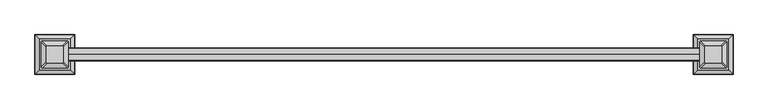
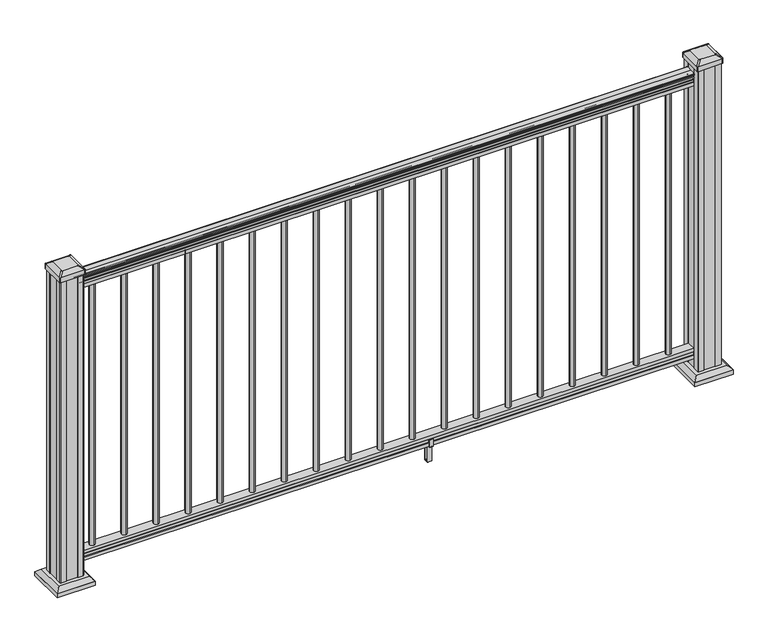
"""IFC4 building model written with IfcOpenShell, lengths in millimetres: railing geometry."""

from ifc_helpers import new_model, si_unit, point, frame, frame_2d, origin, origin_with_axes, place, context, project, spatial, polyline, circle_curve, trimmed, segment, composite_curve, outline, extrude, faceted_brep, source, transform, mapped, element, save
from ifc_brep_helpers import plane_surface, cylinder_surface, revolved_surface, extruded_surface, advanced_brep


def railing_42eee5fa(model_context):
    return source(origin(), model_context, "Body", "SolidModel", [
        advanced_brep(
        [(13693.1243019, -21587.0902081, 1090.8043297), (13693.1243019, -21589.6640368, 1090.8043297), (13693.1243019, -21589.6640368, 1080.147013), (13693.1243019, -21588.6480368, 1079.131013), (13693.1243019, -21588.6480368, 1066.8), (13693.1243019, -21620.3980368, 1066.8), (13693.1243019, -21620.3980368, 1079.2888283), (13693.1243019, -21619.3820368, 1080.3048283), (13693.1243019, -21619.3820368, 1090.8043297), (13693.1243019, -21621.9558656, 1090.8043297), (13693.1243019, -21621.9558656, 1092.692412), (13693.1243019, -21623.0860518, 1094.2546695), (13693.1243019, -21623.0860518, 1101.4726458), (13693.1243019, -21622.4367954, 1103.9060812), (13693.1243019, -21624.9367954, 1108.2362083), (13693.1243019, -21626.3461379, 1109.9157972), (13693.1243019, -21626.7480369, 1111.0205318), (13693.1243019, -21626.7480368, 1112.3608158), (13693.1243019, -21625.1945896, 1113.914263), (13693.1243019, -21604.5230368, 1113.914263), (13693.1243019, -21583.851484, 1113.914263), (13693.1243019, -21582.2980368, 1112.3608158), (13693.1243019, -21582.2980368, 1111.0205318), (13693.1243019, -21582.6999357, 1109.9157972), (13693.1243019, -21584.1092782, 1108.2362083), (13693.1243019, -21586.6092782, 1103.9060812), (13693.1243019, -21585.9600218, 1101.4726458), (13693.1243019, -21585.9600218, 1094.2546695), (13693.1243019, -21587.0902081, 1092.692412), (15826.7243019, -21587.0902081, 1090.8043297), (15826.7243019, -21587.0902081, 1092.692412), (15826.7243019, -21585.9600218, 1094.2546695), (15826.7243019, -21585.9600218, 1101.4726458), (15826.7243019, -21586.6092782, 1103.9060812), (15826.7243019, -21584.1092782, 1108.2362083), (15826.7243019, -21582.6999357, 1109.9157972), (15826.7243019, -21582.2980367, 1111.0205318), (15826.7243019, -21582.2980368, 1112.3608158), (15826.7243019, -21583.851484, 1113.914263), (15826.7243019, -21604.5230368, 1113.914263), (15826.7243019, -21625.1945896, 1113.914263), (15826.7243019, -21626.7480368, 1112.3608158), (15826.7243019, -21626.7480368, 1111.0205318), (15826.7243019, -21626.3461379, 1109.9157972), (15826.7243019, -21624.9367954, 1108.2362083), (15826.7243019, -21622.4367954, 1103.9060812), (15826.7243019, -21623.0860518, 1101.4726458), (15826.7243019, -21623.0860518, 1094.2546695), (15826.7243019, -21621.9558655, 1092.692412), (15826.7243019, -21621.9558655, 1090.8043297), (15826.7243019, -21619.3820368, 1090.8043297), (15826.7243019, -21619.3820368, 1080.3048283), (15826.7243019, -21620.3980368, 1079.2888283), (15826.7243019, -21620.3980368, 1066.8), (15826.7243019, -21588.6480368, 1066.8), (15826.7243019, -21588.6480368, 1079.131013), (15826.7243019, -21589.6640368, 1080.147013), (15826.7243019, -21589.6640368, 1090.8043297)],
        [
            (0, 1, circle_curve(frame((13693.1243019, -21588.3771224, 1090.8043297), z_axis=(-1.0, 0.0, 0.0), x_axis=(0.0, -1.0, 0.0)), 1.2869144)),
            (1, 2),
            (2, 3),
            (3, 4),
            (4, 5),
            (5, 6),
            (6, 7),
            (7, 8),
            (8, 9, circle_curve(frame((13693.1243019, -21620.6689512, 1090.8043297), z_axis=(-1.0, 0.0, 0.0), x_axis=(0.0, 1.0, 0.0)), 1.2869144)),
            (9, 10),
            (10, 11, circle_curve(frame((13693.1243019, -21615.6411123, 1098.4506383), z_axis=(-1.0, 0.0, 0.0), x_axis=(0.0, 1.0, 0.0)), 8.545951)),
            (11, 12, circle_curve(frame((13693.1243019, -21616.0781752, 1097.8636577), z_axis=(-1.0, 0.0, 0.0), x_axis=(0.0, 1.0, 0.0)), 7.882584)),
            (12, 13, circle_curve(frame((13693.1243019, -21626.5914994, 1103.7112527), z_axis=(1.0, 0.0, 0.0), x_axis=(0.0, 1.0, 0.0)), 4.1592695)),
            (13, 14, circle_curve(frame((13693.1243019, -21627.8788059, 1103.6508864), z_axis=(1.0, 0.0, 0.0), x_axis=(0.0, 1.0, 0.0)), 5.4479907)),
            (14, 15, circle_curve(frame((13693.1243019, -21626.6456475, 1108.233395), z_axis=(1.0, 0.0, 0.0), x_axis=(0.0, 1.0, 0.0)), 1.7088543)),
            (15, 16, circle_curve(frame((13693.1243019, -21625.0287474, 1111.0205318), z_axis=(-1.0, 0.0, 0.0), x_axis=(0.0, 1.0, 0.0)), 1.7192895)),
            (16, 17),
            (17, 18, circle_curve(frame((13693.1243019, -21625.1945896, 1112.3608158), z_axis=(-1.0, 0.0, 0.0), x_axis=(0.0, 1.0, 0.0)), 1.5534472)),
            (18, 19),
            (19, 20),
            (20, 21, circle_curve(frame((13693.1243019, -21583.851484, 1112.3608158), z_axis=(-1.0, 0.0, 0.0), x_axis=(0.0, -1.0, 0.0)), 1.5534472)),
            (21, 22),
            (22, 23, circle_curve(frame((13693.1243019, -21584.0173262, 1111.0205318), z_axis=(-1.0, 0.0, 0.0), x_axis=(0.0, -1.0, 0.0)), 1.7192895)),
            (23, 24, circle_curve(frame((13693.1243019, -21582.4004262, 1108.233395), z_axis=(1.0, 0.0, 0.0), x_axis=(0.0, -1.0, 0.0)), 1.7088543)),
            (24, 25, circle_curve(frame((13693.1243019, -21581.1672677, 1103.6508864), z_axis=(1.0, 0.0, 0.0), x_axis=(0.0, -1.0, 0.0)), 5.4479907)),
            (25, 26, circle_curve(frame((13693.1243019, -21582.4545743, 1103.7112527), z_axis=(1.0, 0.0, 0.0), x_axis=(0.0, -1.0, 0.0)), 4.1592695)),
            (26, 27, circle_curve(frame((13693.1243019, -21592.9678984, 1097.8636577), z_axis=(-1.0, 0.0, 0.0), x_axis=(0.0, -1.0, 0.0)), 7.882584)),
            (27, 28, circle_curve(frame((13693.1243019, -21593.4049614, 1098.4506383), z_axis=(-1.0, 0.0, 0.0), x_axis=(0.0, -1.0, 0.0)), 8.545951)),
            (28, 0),
            (29, 30),
            (30, 31, circle_curve(frame((15826.7243019, -21593.4049614, 1098.4506383), z_axis=(1.0, 0.0, 0.0), x_axis=(0.0, -1.0, 0.0)), 8.545951)),
            (31, 32, circle_curve(frame((15826.7243019, -21592.9678984, 1097.8636577), z_axis=(1.0, 0.0, 0.0), x_axis=(0.0, -1.0, 0.0)), 7.882584)),
            (32, 33, circle_curve(frame((15826.7243019, -21582.4545743, 1103.7112527), z_axis=(-1.0, 0.0, 0.0), x_axis=(0.0, -1.0, 0.0)), 4.1592695)),
            (33, 34, circle_curve(frame((15826.7243019, -21581.1672677, 1103.6508864), z_axis=(-1.0, 0.0, 0.0), x_axis=(0.0, -1.0, 0.0)), 5.4479907)),
            (34, 35, circle_curve(frame((15826.7243019, -21582.4004262, 1108.233395), z_axis=(-1.0, 0.0, 0.0), x_axis=(0.0, -1.0, 0.0)), 1.7088543)),
            (35, 36, circle_curve(frame((15826.7243019, -21584.0173262, 1111.0205318), z_axis=(1.0, 0.0, 0.0), x_axis=(0.0, -1.0, 0.0)), 1.7192895)),
            (36, 37),
            (37, 38, circle_curve(frame((15826.7243019, -21583.851484, 1112.3608158), z_axis=(1.0, 0.0, 0.0), x_axis=(0.0, -1.0, 0.0)), 1.5534472)),
            (38, 39),
            (39, 40),
            (40, 41, circle_curve(frame((15826.7243019, -21625.1945896, 1112.3608158), z_axis=(1.0, 0.0, 0.0), x_axis=(0.0, 1.0, 0.0)), 1.5534472)),
            (41, 42),
            (42, 43, circle_curve(frame((15826.7243019, -21625.0287474, 1111.0205318), z_axis=(1.0, 0.0, 0.0), x_axis=(0.0, 1.0, 0.0)), 1.7192895)),
            (43, 44, circle_curve(frame((15826.7243019, -21626.6456475, 1108.233395), z_axis=(-1.0, 0.0, 0.0), x_axis=(0.0, 1.0, 0.0)), 1.7088543)),
            (44, 45, circle_curve(frame((15826.7243019, -21627.8788059, 1103.6508864), z_axis=(-1.0, 0.0, 0.0), x_axis=(0.0, 1.0, 0.0)), 5.4479907)),
            (45, 46, circle_curve(frame((15826.7243019, -21626.5914994, 1103.7112527), z_axis=(-1.0, 0.0, 0.0), x_axis=(0.0, 1.0, 0.0)), 4.1592695)),
            (46, 47, circle_curve(frame((15826.7243019, -21616.0781752, 1097.8636577), z_axis=(1.0, 0.0, 0.0), x_axis=(0.0, 1.0, 0.0)), 7.882584)),
            (47, 48, circle_curve(frame((15826.7243019, -21615.6411123, 1098.4506383), z_axis=(1.0, 0.0, 0.0), x_axis=(0.0, 1.0, 0.0)), 8.545951)),
            (48, 49),
            (49, 50, circle_curve(frame((15826.7243019, -21620.6689512, 1090.8043297), z_axis=(1.0, 0.0, 0.0), x_axis=(0.0, 1.0, 0.0)), 1.2869144)),
            (50, 51),
            (51, 52),
            (52, 53),
            (53, 54),
            (54, 55),
            (55, 56),
            (56, 57),
            (57, 29, circle_curve(frame((15826.7243019, -21588.3771224, 1090.8043297), z_axis=(1.0, 0.0, 0.0), x_axis=(0.0, -1.0, 0.0)), 1.2869144)),
            (0, 29),
            (57, 1),
            (56, 2),
            (55, 3),
            (54, 4),
            (53, 5),
            (52, 6),
            (51, 7),
            (50, 8),
            (49, 9),
            (48, 10),
            (47, 11),
            (46, 12),
            (45, 13),
            (44, 14),
            (43, 15),
            (42, 16),
            (41, 17),
            (40, 18),
            (39, 19),
            (38, 20),
            (37, 21),
            (36, 22),
            (35, 23),
            (34, 24),
            (33, 25),
            (32, 26),
            (31, 27),
            (30, 28),
        ],
        [
            plane_surface(frame((13693.1243019, -21604.5230368, 1066.8), z_axis=(-1.0, 0.0, 0.0), x_axis=(0.0, 1.0, 0.0))),
            plane_surface(frame((15826.7243019, -21604.5230368, 1066.8), z_axis=(1.0, 0.0, 0.0), x_axis=(0.0, 1.0, 0.0))),
            cylinder_surface(frame((13693.1243019, -21588.3771224, 1090.8043297), z_axis=(-1.0, 0.0, 0.0), x_axis=(0.0, -1.0, 0.0)), 1.2869144),
            plane_surface(frame((13693.1243019, -21589.6640368, 1090.8043297), z_axis=(0.0, 1.0, 0.0), x_axis=(1.0, 0.0, 0.0))),
            plane_surface(frame((13693.1243019, -21589.6640368, 1080.147013), z_axis=(0.0, 0.7071067811865395, 0.7071067811865556), x_axis=(1.0, 0.0, 0.0))),
            plane_surface(frame((13693.1243019, -21588.6480368, 1079.131013), z_axis=(0.0, 1.0, 0.0), x_axis=(1.0, 0.0, 0.0))),
            plane_surface(frame((13693.1243019, -21588.6480368, 1066.8), z_axis=(0.0, 0.0, -1.0), x_axis=(1.0, 0.0, 0.0))),
            plane_surface(frame((13693.1243019, -21620.3980368, 1066.8), z_axis=(0.0, -1.0, 0.0), x_axis=(1.0, 0.0, 0.0))),
            plane_surface(frame((13693.1243019, -21620.3980368, 1079.2888283), z_axis=(0.0, -0.7071067811865432, 0.707106781186552), x_axis=(1.0, 0.0, 0.0))),
            plane_surface(frame((13693.1243019, -21619.3820368, 1080.3048283), z_axis=(0.0, -1.0, 0.0), x_axis=(1.0, 0.0, 0.0))),
            cylinder_surface(frame((13693.1243019, -21620.6689512, 1090.8043297), z_axis=(-1.0, 0.0, 0.0), x_axis=(0.0, 1.0, 0.0)), 1.2869144),
            plane_surface(frame((13693.1243019, -21621.9558656, 1090.8043297), z_axis=(0.0, -1.0, 0.0), x_axis=(1.0, 0.0, 0.0))),
            cylinder_surface(frame((13693.1243019, -21615.6411123, 1098.4506383), z_axis=(-1.0, 0.0, 0.0), x_axis=(0.0, 1.0, 0.0)), 8.545951),
            cylinder_surface(frame((13693.1243019, -21616.0781752, 1097.8636577), z_axis=(-1.0, 0.0, 0.0), x_axis=(0.0, 1.0, 0.0)), 7.882584),
            revolved_surface(polyline([(15826.7243019, -21622.4322299, 1103.7112527), (13693.1243019, -21622.4322299, 1103.7112527)]), (13693.1243019, -21626.5914994, 1103.7112527), (1.0, 0.0, 0.0)),
            revolved_surface(polyline([(15826.7243019, -21622.4308152, 1103.6508864), (13693.1243019, -21622.4308152, 1103.6508864)]), (13693.1243019, -21627.8788059, 1103.6508864), (1.0, 0.0, 0.0)),
            revolved_surface(polyline([(15826.7243019, -21624.936793200002, 1108.233395), (13693.1243019, -21624.936793200002, 1108.233395)]), (13693.1243019, -21626.6456475, 1108.233395), (1.0, 0.0, 0.0)),
            cylinder_surface(frame((13693.1243019, -21625.0287474, 1111.0205318), z_axis=(-1.0, 0.0, 0.0), x_axis=(0.0, 1.0, 0.0)), 1.7192895),
            plane_surface(frame((13693.1243019, -21626.7480368, 1111.0205318), z_axis=(0.0, -1.0, 0.0), x_axis=(1.0, 0.0, 0.0))),
            cylinder_surface(frame((13693.1243019, -21625.1945896, 1112.3608158), z_axis=(-1.0, 0.0, 0.0), x_axis=(0.0, 1.0, 0.0)), 1.5534472),
            plane_surface(frame((13693.1243019, -21625.1945896, 1113.914263), z_axis=(0.0, 0.0, 1.0), x_axis=(1.0, 0.0, 0.0))),
            plane_surface(frame((13693.1243019, -21604.5230368, 1113.914263), z_axis=(0.0, 0.0, 1.0), x_axis=(1.0, 0.0, 0.0))),
            cylinder_surface(frame((13693.1243019, -21583.851484, 1112.3608158), z_axis=(-1.0, 0.0, 0.0), x_axis=(0.0, -1.0, 0.0)), 1.5534472),
            plane_surface(frame((13693.1243019, -21582.2980368, 1112.3608158), z_axis=(0.0, 1.0, 0.0), x_axis=(1.0, 0.0, 0.0))),
            cylinder_surface(frame((13693.1243019, -21584.0173262, 1111.0205318), z_axis=(-1.0, 0.0, 0.0), x_axis=(0.0, -1.0, 0.0)), 1.7192895),
            revolved_surface(polyline([(15826.7243019, -21584.1092805, 1108.233395), (13693.1243019, -21584.1092805, 1108.233395)]), (13693.1243019, -21582.4004262, 1108.233395), (1.0, 0.0, 0.0)),
            revolved_surface(polyline([(15826.7243019, -21586.615258399997, 1103.6508864), (13693.1243019, -21586.615258399997, 1103.6508864)]), (13693.1243019, -21581.1672677, 1103.6508864), (1.0, 0.0, 0.0)),
            revolved_surface(polyline([(15826.7243019, -21586.6138438, 1103.7112527), (13693.1243019, -21586.6138438, 1103.7112527)]), (13693.1243019, -21582.4545743, 1103.7112527), (1.0, 0.0, 0.0)),
            cylinder_surface(frame((13693.1243019, -21592.9678984, 1097.8636577), z_axis=(-1.0, 0.0, 0.0), x_axis=(0.0, -1.0, 0.0)), 7.882584),
            cylinder_surface(frame((13693.1243019, -21593.4049614, 1098.4506383), z_axis=(-1.0, 0.0, 0.0), x_axis=(0.0, -1.0, 0.0)), 8.545951),
            plane_surface(frame((13693.1243019, -21587.0902081, 1092.692412), z_axis=(0.0, 1.0, 0.0), x_axis=(1.0, 0.0, 0.0))),
        ],
        [
            (0, [[1, 2, 3, 4, 5, 6, 7, 8, 9, 10, 11, 12, 13, 14, 15, 16, 17, 18, 19, 20, 21, 22, 23, 24, 25, 26, 27, 28, 29]]),
            (1, [[30, 31, 32, 33, 34, 35, 36, 37, 38, 39, 40, 41, 42, 43, 44, 45, 46, 47, 48, 49, 50, 51, 52, 53, 54, 55, 56, 57, 58]]),
            (2, [[-1, 59, -58, 60]]),
            (3, [[-2, -60, -57, 61]]),
            (4, [[-3, -61, -56, 62]]),
            (5, [[-4, -62, -55, 63]]),
            (6, [[-5, -63, -54, 64]]),
            (7, [[-6, -64, -53, 65]]),
            (8, [[-7, -65, -52, 66]]),
            (9, [[-8, -66, -51, 67]]),
            (10, [[-9, -67, -50, 68]]),
            (11, [[-10, -68, -49, 69]]),
            (12, [[-11, -69, -48, 70]]),
            (13, [[-12, -70, -47, 71]]),
            (14, [[-13, -71, -46, 72]]),
            (15, [[-14, -72, -45, 73]]),
            (16, [[-15, -73, -44, 74]]),
            (17, [[-16, -74, -43, 75]]),
            (18, [[-17, -75, -42, 76]]),
            (19, [[-18, -76, -41, 77]]),
            (20, [[-19, -77, -40, 78]]),
            (21, [[-20, -78, -39, 79]]),
            (22, [[-21, -79, -38, 80]]),
            (23, [[-22, -80, -37, 81]]),
            (24, [[-23, -81, -36, 82]]),
            (25, [[-24, -82, -35, 83]]),
            (26, [[-25, -83, -34, 84]]),
            (27, [[-26, -84, -33, 85]]),
            (28, [[-27, -85, -32, 86]]),
            (29, [[-28, -86, -31, 87]]),
            (30, [[-29, -87, -30, -59]]),
        ],
    ),
        faceted_brep([(13693.1243019, -21588.6105499, 76.0541976), (13693.1243019, -21588.6105499, 63.5), (13693.1243019, -21620.3605499, 63.5), (13693.1243019, -21620.3605499, 76.0375508), (13693.1243019, -21619.3445499, 77.3858283), (13693.1243019, -21619.3445499, 87.6975248), (13693.1243019, -21620.3605499, 89.0458024), (13693.1243019, -21620.3605499, 101.5958781), (13693.1243019, -21588.6105499, 101.5958781), (13693.1243019, -21588.6105499, 89.0624492), (13693.1243019, -21589.6265499, 87.7141717), (13693.1243019, -21589.6265499, 77.3546183), (15826.7243019, -21588.6105499, 76.0541976), (15826.7243019, -21589.6265499, 77.3546183), (15826.7243019, -21589.6265499, 87.7141717), (15826.7243019, -21588.6105499, 89.0624492), (15826.7243019, -21588.6105499, 101.5958781), (15826.7243019, -21620.3605499, 101.5958781), (15826.7243019, -21620.3605499, 89.0458024), (15826.7243019, -21619.3445499, 87.6975248), (15826.7243019, -21619.3445499, 77.3858283), (15826.7243019, -21620.3605499, 76.0375508), (15826.7243019, -21620.3605499, 63.5), (15826.7243019, -21588.6105499, 63.5)], [[[0, 1, 2, 3, 4, 5, 6, 7, 8, 9, 10, 11]], [[12, 13, 14, 15, 16, 17, 18, 19, 20, 21, 22, 23]], [[1, 0, 12, 23]], [[2, 1, 23, 22]], [[3, 2, 22, 21]], [[4, 3, 21, 20]], [[5, 4, 20, 19]], [[6, 5, 19, 18]], [[7, 6, 18, 17]], [[8, 7, 17, 16]], [[9, 8, 16, 15]], [[10, 9, 15, 14]], [[11, 10, 14, 13]], [[0, 11, 13, 12]]]),
        extrude(outline(composite_curve([segment(trimmed(circle_curve(frame_2d((15747.9843019, -21604.5230368)), 9.525), [point((15747.9843019, -21594.9980368))], [point((15757.5093019, -21604.5230368))], False, "CARTESIAN"), True, "CONTINUOUS"), segment(trimmed(circle_curve(frame_2d((15747.9843019, -21604.5230368)), 9.525), [point((15757.5093019, -21604.5230368))], [point((15747.9843019, -21614.0480368))], False, "CARTESIAN"), True, "CONTINUOUS"), segment(trimmed(circle_curve(frame_2d((15747.9843019, -21604.5230368)), 9.525), [point((15747.9843019, -21614.0480368))], [point((15738.4593019, -21604.5230368))], False, "CARTESIAN"), True, "CONTINUOUS"), segment(trimmed(circle_curve(frame_2d((15747.9843019, -21604.5230368)), 9.525), [point((15738.4593019, -21604.5230368))], [point((15747.9843019, -21594.9980368))], False, "CARTESIAN"), True, "CONTINUOUS")], self_intersect=False)), frame((0.0, 0.0, 101.5958781), z_axis=(0.0, 0.0, 1.0), x_axis=(1.0, 0.0, 0.0)), (0.0, 0.0, 1.0), 965.2041219),
        extrude(outline(composite_curve([segment(trimmed(circle_curve(frame_2d((15636.7323019, -21604.5230368)), 9.525), [point((15636.7323019, -21594.9980368))], [point((15646.2573019, -21604.5230368))], False, "CARTESIAN"), True, "CONTINUOUS"), segment(trimmed(circle_curve(frame_2d((15636.7323019, -21604.5230368)), 9.525), [point((15646.2573019, -21604.5230368))], [point((15636.7323019, -21614.0480368))], False, "CARTESIAN"), True, "CONTINUOUS"), segment(trimmed(circle_curve(frame_2d((15636.7323019, -21604.5230368)), 9.525), [point((15636.7323019, -21614.0480368))], [point((15627.2073019, -21604.5230368))], False, "CARTESIAN"), True, "CONTINUOUS"), segment(trimmed(circle_curve(frame_2d((15636.7323019, -21604.5230368)), 9.525), [point((15627.2073019, -21604.5230368))], [point((15636.7323019, -21594.9980368))], False, "CARTESIAN"), True, "CONTINUOUS")], self_intersect=False)), frame((0.0, 0.0, 101.5958781), z_axis=(0.0, 0.0, 1.0), x_axis=(1.0, 0.0, 0.0)), (0.0, 0.0, 1.0), 965.2041219),
        extrude(outline(composite_curve([segment(trimmed(circle_curve(frame_2d((15525.4803019, -21604.5230368)), 9.525), [point((15525.4803019, -21594.9980368))], [point((15535.0053019, -21604.5230368))], False, "CARTESIAN"), True, "CONTINUOUS"), segment(trimmed(circle_curve(frame_2d((15525.4803019, -21604.5230368)), 9.525), [point((15535.0053019, -21604.5230368))], [point((15525.4803019, -21614.0480368))], False, "CARTESIAN"), True, "CONTINUOUS"), segment(trimmed(circle_curve(frame_2d((15525.4803019, -21604.5230368)), 9.525), [point((15525.4803019, -21614.0480368))], [point((15515.9553019, -21604.5230368))], False, "CARTESIAN"), True, "CONTINUOUS"), segment(trimmed(circle_curve(frame_2d((15525.4803019, -21604.5230368)), 9.525), [point((15515.9553019, -21604.5230368))], [point((15525.4803019, -21594.9980368))], False, "CARTESIAN"), True, "CONTINUOUS")], self_intersect=False)), frame((0.0, 0.0, 101.5958781), z_axis=(0.0, 0.0, 1.0), x_axis=(1.0, 0.0, 0.0)), (0.0, 0.0, 1.0), 965.2041219),
        extrude(outline(composite_curve([segment(trimmed(circle_curve(frame_2d((15414.2283019, -21604.5230368)), 9.525), [point((15414.2283019, -21594.9980368))], [point((15423.7533019, -21604.5230368))], False, "CARTESIAN"), True, "CONTINUOUS"), segment(trimmed(circle_curve(frame_2d((15414.2283019, -21604.5230368)), 9.525), [point((15423.7533019, -21604.5230368))], [point((15414.2283019, -21614.0480368))], False, "CARTESIAN"), True, "CONTINUOUS"), segment(trimmed(circle_curve(frame_2d((15414.2283019, -21604.5230368)), 9.525), [point((15414.2283019, -21614.0480368))], [point((15404.7033019, -21604.5230368))], False, "CARTESIAN"), True, "CONTINUOUS"), segment(trimmed(circle_curve(frame_2d((15414.2283019, -21604.5230368)), 9.525), [point((15404.7033019, -21604.5230368))], [point((15414.2283019, -21594.9980368))], False, "CARTESIAN"), True, "CONTINUOUS")], self_intersect=False)), frame((0.0, 0.0, 101.5958781), z_axis=(0.0, 0.0, 1.0), x_axis=(1.0, 0.0, 0.0)), (0.0, 0.0, 1.0), 965.2041219),
        extrude(outline(composite_curve([segment(trimmed(circle_curve(frame_2d((15302.9763019, -21604.5230368)), 9.525), [point((15302.9763019, -21594.9980368))], [point((15312.5013019, -21604.5230368))], False, "CARTESIAN"), True, "CONTINUOUS"), segment(trimmed(circle_curve(frame_2d((15302.9763019, -21604.5230368)), 9.525), [point((15312.5013019, -21604.5230368))], [point((15302.9763019, -21614.0480368))], False, "CARTESIAN"), True, "CONTINUOUS"), segment(trimmed(circle_curve(frame_2d((15302.9763019, -21604.5230368)), 9.525), [point((15302.9763019, -21614.0480368))], [point((15293.4513019, -21604.5230368))], False, "CARTESIAN"), True, "CONTINUOUS"), segment(trimmed(circle_curve(frame_2d((15302.9763019, -21604.5230368)), 9.525), [point((15293.4513019, -21604.5230368))], [point((15302.9763019, -21594.9980368))], False, "CARTESIAN"), True, "CONTINUOUS")], self_intersect=False)), frame((0.0, 0.0, 101.5958781), z_axis=(0.0, 0.0, 1.0), x_axis=(1.0, 0.0, 0.0)), (0.0, 0.0, 1.0), 965.2041219),
        extrude(outline(composite_curve([segment(trimmed(circle_curve(frame_2d((15191.7243019, -21604.5230368)), 9.525), [point((15191.7243019, -21594.9980368))], [point((15201.2493019, -21604.5230368))], False, "CARTESIAN"), True, "CONTINUOUS"), segment(trimmed(circle_curve(frame_2d((15191.7243019, -21604.5230368)), 9.525), [point((15201.2493019, -21604.5230368))], [point((15191.7243019, -21614.0480368))], False, "CARTESIAN"), True, "CONTINUOUS"), segment(trimmed(circle_curve(frame_2d((15191.7243019, -21604.5230368)), 9.525), [point((15191.7243019, -21614.0480368))], [point((15182.1993019, -21604.5230368))], False, "CARTESIAN"), True, "CONTINUOUS"), segment(trimmed(circle_curve(frame_2d((15191.7243019, -21604.5230368)), 9.525), [point((15182.1993019, -21604.5230368))], [point((15191.7243019, -21594.9980368))], False, "CARTESIAN"), True, "CONTINUOUS")], self_intersect=False)), frame((0.0, 0.0, 101.5958781), z_axis=(0.0, 0.0, 1.0), x_axis=(1.0, 0.0, 0.0)), (0.0, 0.0, 1.0), 965.2041219),
        extrude(outline(composite_curve([segment(trimmed(circle_curve(frame_2d((15080.4723019, -21604.5230368)), 9.525), [point((15080.4723019, -21594.9980368))], [point((15089.9973019, -21604.5230368))], False, "CARTESIAN"), True, "CONTINUOUS"), segment(trimmed(circle_curve(frame_2d((15080.4723019, -21604.5230368)), 9.525), [point((15089.9973019, -21604.5230368))], [point((15080.4723019, -21614.0480368))], False, "CARTESIAN"), True, "CONTINUOUS"), segment(trimmed(circle_curve(frame_2d((15080.4723019, -21604.5230368)), 9.525), [point((15080.4723019, -21614.0480368))], [point((15070.9473019, -21604.5230368))], False, "CARTESIAN"), True, "CONTINUOUS"), segment(trimmed(circle_curve(frame_2d((15080.4723019, -21604.5230368)), 9.525), [point((15070.9473019, -21604.5230368))], [point((15080.4723019, -21594.9980368))], False, "CARTESIAN"), True, "CONTINUOUS")], self_intersect=False)), frame((0.0, 0.0, 101.5958781), z_axis=(0.0, 0.0, 1.0), x_axis=(1.0, 0.0, 0.0)), (0.0, 0.0, 1.0), 965.2041219),
        extrude(outline(composite_curve([segment(trimmed(circle_curve(frame_2d((14969.2203019, -21604.5230368)), 9.525), [point((14969.2203019, -21594.9980368))], [point((14978.7453019, -21604.5230368))], False, "CARTESIAN"), True, "CONTINUOUS"), segment(trimmed(circle_curve(frame_2d((14969.2203019, -21604.5230368)), 9.525), [point((14978.7453019, -21604.5230368))], [point((14969.2203019, -21614.0480368))], False, "CARTESIAN"), True, "CONTINUOUS"), segment(trimmed(circle_curve(frame_2d((14969.2203019, -21604.5230368)), 9.525), [point((14969.2203019, -21614.0480368))], [point((14959.6953019, -21604.5230368))], False, "CARTESIAN"), True, "CONTINUOUS"), segment(trimmed(circle_curve(frame_2d((14969.2203019, -21604.5230368)), 9.525), [point((14959.6953019, -21604.5230368))], [point((14969.2203019, -21594.9980368))], False, "CARTESIAN"), True, "CONTINUOUS")], self_intersect=False)), frame((0.0, 0.0, 101.5958781), z_axis=(0.0, 0.0, 1.0), x_axis=(1.0, 0.0, 0.0)), (0.0, 0.0, 1.0), 965.2041219),
        extrude(outline(polyline([(-21622.6840356, 88.7203979), (-21620.652036, 88.7203979), (-21619.6360363, 87.7043953), (-21619.6360363, 77.2686081), (-21620.652036, 76.2526073), (-21620.652036, 64.262001), (-21619.8900369, 63.5000019), (-21589.1560358, 63.5000019), (-21588.3940366, 64.262001), (-21588.3940366, 76.2526073), (-21589.4100364, 77.2686081), (-21589.4100364, 87.7043953), (-21588.3940366, 88.7203979), (-21586.362037, 88.7203979), (-21585.600036, 87.9583969), (-21585.600036, 61.4680023), (-21586.362037, 60.7060013), (-21596.3950361, 60.7060013), (-21597.1570362, 59.9440012), (-21597.1570362, 0.762001), (-21597.9190372, 0.0), (-21611.1270364, 0.0), (-21611.8890365, 0.7620001), (-21611.8890365, 59.9440012), (-21612.6510366, 60.7060013), (-21622.6840356, 60.7060013), (-21623.4460367, 61.4680023), (-21623.4460367, 87.9583969), (-21622.6840356, 88.7203979)]), holes=[polyline([(-21601.0940364, 60.7060013), (-21607.9520362, 60.7060013), (-21608.7140363, 59.9440012), (-21608.7140363, 3.9370003), (-21607.9520391, 3.1750031), (-21601.0940364, 3.1750031), (-21600.3320363, 3.9370031), (-21600.3320363, 59.9440012), (-21601.0940364, 60.7060013)])]), frame((14906.2283019, 0.0, 0.0), z_axis=(1.0, 0.0, 0.0), x_axis=(0.0, 1.0, 0.0)), (0.0, 0.0, 1.0), 14.732),
        extrude(outline(composite_curve([segment(trimmed(circle_curve(frame_2d((14857.9683019, -21604.5230368)), 9.525), [point((14857.9683019, -21594.9980368))], [point((14867.4933019, -21604.5230368))], False, "CARTESIAN"), True, "CONTINUOUS"), segment(trimmed(circle_curve(frame_2d((14857.9683019, -21604.5230368)), 9.525), [point((14867.4933019, -21604.5230368))], [point((14857.9683019, -21614.0480368))], False, "CARTESIAN"), True, "CONTINUOUS"), segment(trimmed(circle_curve(frame_2d((14857.9683019, -21604.5230368)), 9.525), [point((14857.9683019, -21614.0480368))], [point((14848.4433019, -21604.5230368))], False, "CARTESIAN"), True, "CONTINUOUS"), segment(trimmed(circle_curve(frame_2d((14857.9683019, -21604.5230368)), 9.525), [point((14848.4433019, -21604.5230368))], [point((14857.9683019, -21594.9980368))], False, "CARTESIAN"), True, "CONTINUOUS")], self_intersect=False)), frame((0.0, 0.0, 101.5958781), z_axis=(0.0, 0.0, 1.0), x_axis=(1.0, 0.0, 0.0)), (0.0, 0.0, 1.0), 965.2041219),
        extrude(outline(composite_curve([segment(trimmed(circle_curve(frame_2d((14746.7163019, -21604.5230368)), 9.525), [point((14746.7163019, -21594.9980368))], [point((14756.2413019, -21604.5230368))], False, "CARTESIAN"), True, "CONTINUOUS"), segment(trimmed(circle_curve(frame_2d((14746.7163019, -21604.5230368)), 9.525), [point((14756.2413019, -21604.5230368))], [point((14746.7163019, -21614.0480368))], False, "CARTESIAN"), True, "CONTINUOUS"), segment(trimmed(circle_curve(frame_2d((14746.7163019, -21604.5230368)), 9.525), [point((14746.7163019, -21614.0480368))], [point((14737.1913019, -21604.5230368))], False, "CARTESIAN"), True, "CONTINUOUS"), segment(trimmed(circle_curve(frame_2d((14746.7163019, -21604.5230368)), 9.525), [point((14737.1913019, -21604.5230368))], [point((14746.7163019, -21594.9980368))], False, "CARTESIAN"), True, "CONTINUOUS")], self_intersect=False)), frame((0.0, 0.0, 101.5958781), z_axis=(0.0, 0.0, 1.0), x_axis=(1.0, 0.0, 0.0)), (0.0, 0.0, 1.0), 965.2041219),
        extrude(outline(composite_curve([segment(trimmed(circle_curve(frame_2d((14635.4643019, -21604.5230368)), 9.525), [point((14635.4643019, -21594.9980368))], [point((14644.9893019, -21604.5230368))], False, "CARTESIAN"), True, "CONTINUOUS"), segment(trimmed(circle_curve(frame_2d((14635.4643019, -21604.5230368)), 9.525), [point((14644.9893019, -21604.5230368))], [point((14635.4643019, -21614.0480368))], False, "CARTESIAN"), True, "CONTINUOUS"), segment(trimmed(circle_curve(frame_2d((14635.4643019, -21604.5230368)), 9.525), [point((14635.4643019, -21614.0480368))], [point((14625.9393019, -21604.5230368))], False, "CARTESIAN"), True, "CONTINUOUS"), segment(trimmed(circle_curve(frame_2d((14635.4643019, -21604.5230368)), 9.525), [point((14625.9393019, -21604.5230368))], [point((14635.4643019, -21594.9980368))], False, "CARTESIAN"), True, "CONTINUOUS")], self_intersect=False)), frame((0.0, 0.0, 101.5958781), z_axis=(0.0, 0.0, 1.0), x_axis=(1.0, 0.0, 0.0)), (0.0, 0.0, 1.0), 965.2041219),
        extrude(outline(composite_curve([segment(trimmed(circle_curve(frame_2d((14524.2123019, -21604.5230368)), 9.525), [point((14524.2123019, -21594.9980368))], [point((14533.7373019, -21604.5230368))], False, "CARTESIAN"), True, "CONTINUOUS"), segment(trimmed(circle_curve(frame_2d((14524.2123019, -21604.5230368)), 9.525), [point((14533.7373019, -21604.5230368))], [point((14524.2123019, -21614.0480368))], False, "CARTESIAN"), True, "CONTINUOUS"), segment(trimmed(circle_curve(frame_2d((14524.2123019, -21604.5230368)), 9.525), [point((14524.2123019, -21614.0480368))], [point((14514.6873019, -21604.5230368))], False, "CARTESIAN"), True, "CONTINUOUS"), segment(trimmed(circle_curve(frame_2d((14524.2123019, -21604.5230368)), 9.525), [point((14514.6873019, -21604.5230368))], [point((14524.2123019, -21594.9980368))], False, "CARTESIAN"), True, "CONTINUOUS")], self_intersect=False)), frame((0.0, 0.0, 101.5958781), z_axis=(0.0, 0.0, 1.0), x_axis=(1.0, 0.0, 0.0)), (0.0, 0.0, 1.0), 965.2041219),
        extrude(outline(composite_curve([segment(trimmed(circle_curve(frame_2d((14412.9603019, -21604.5230368)), 9.525), [point((14412.9603019, -21594.9980368))], [point((14422.4853019, -21604.5230368))], False, "CARTESIAN"), True, "CONTINUOUS"), segment(trimmed(circle_curve(frame_2d((14412.9603019, -21604.5230368)), 9.525), [point((14422.4853019, -21604.5230368))], [point((14412.9603019, -21614.0480368))], False, "CARTESIAN"), True, "CONTINUOUS"), segment(trimmed(circle_curve(frame_2d((14412.9603019, -21604.5230368)), 9.525), [point((14412.9603019, -21614.0480368))], [point((14403.4353019, -21604.5230368))], False, "CARTESIAN"), True, "CONTINUOUS"), segment(trimmed(circle_curve(frame_2d((14412.9603019, -21604.5230368)), 9.525), [point((14403.4353019, -21604.5230368))], [point((14412.9603019, -21594.9980368))], False, "CARTESIAN"), True, "CONTINUOUS")], self_intersect=False)), frame((0.0, 0.0, 101.5958781), z_axis=(0.0, 0.0, 1.0), x_axis=(1.0, 0.0, 0.0)), (0.0, 0.0, 1.0), 965.2041219),
        extrude(outline(composite_curve([segment(trimmed(circle_curve(frame_2d((14301.7083019, -21604.5230368)), 9.525), [point((14301.7083019, -21594.9980368))], [point((14311.2333019, -21604.5230368))], False, "CARTESIAN"), True, "CONTINUOUS"), segment(trimmed(circle_curve(frame_2d((14301.7083019, -21604.5230368)), 9.525), [point((14311.2333019, -21604.5230368))], [point((14301.7083019, -21614.0480368))], False, "CARTESIAN"), True, "CONTINUOUS"), segment(trimmed(circle_curve(frame_2d((14301.7083019, -21604.5230368)), 9.525), [point((14301.7083019, -21614.0480368))], [point((14292.1833019, -21604.5230368))], False, "CARTESIAN"), True, "CONTINUOUS"), segment(trimmed(circle_curve(frame_2d((14301.7083019, -21604.5230368)), 9.525), [point((14292.1833019, -21604.5230368))], [point((14301.7083019, -21594.9980368))], False, "CARTESIAN"), True, "CONTINUOUS")], self_intersect=False)), frame((0.0, 0.0, 101.5958781), z_axis=(0.0, 0.0, 1.0), x_axis=(1.0, 0.0, 0.0)), (0.0, 0.0, 1.0), 965.2041219),
        extrude(outline(composite_curve([segment(trimmed(circle_curve(frame_2d((14190.4563019, -21604.5230368)), 9.525), [point((14190.4563019, -21594.9980368))], [point((14199.9813019, -21604.5230368))], False, "CARTESIAN"), True, "CONTINUOUS"), segment(trimmed(circle_curve(frame_2d((14190.4563019, -21604.5230368)), 9.525), [point((14199.9813019, -21604.5230368))], [point((14190.4563019, -21614.0480368))], False, "CARTESIAN"), True, "CONTINUOUS"), segment(trimmed(circle_curve(frame_2d((14190.4563019, -21604.5230368)), 9.525), [point((14190.4563019, -21614.0480368))], [point((14180.9313019, -21604.5230368))], False, "CARTESIAN"), True, "CONTINUOUS"), segment(trimmed(circle_curve(frame_2d((14190.4563019, -21604.5230368)), 9.525), [point((14180.9313019, -21604.5230368))], [point((14190.4563019, -21594.9980368))], False, "CARTESIAN"), True, "CONTINUOUS")], self_intersect=False)), frame((0.0, 0.0, 101.5958781), z_axis=(0.0, 0.0, 1.0), x_axis=(1.0, 0.0, 0.0)), (0.0, 0.0, 1.0), 965.2041219),
        extrude(outline(composite_curve([segment(trimmed(circle_curve(frame_2d((14079.2043019, -21604.5230368)), 9.525), [point((14079.2043019, -21594.9980368))], [point((14088.7293019, -21604.5230368))], False, "CARTESIAN"), True, "CONTINUOUS"), segment(trimmed(circle_curve(frame_2d((14079.2043019, -21604.5230368)), 9.525), [point((14088.7293019, -21604.5230368))], [point((14079.2043019, -21614.0480368))], False, "CARTESIAN"), True, "CONTINUOUS"), segment(trimmed(circle_curve(frame_2d((14079.2043019, -21604.5230368)), 9.525), [point((14079.2043019, -21614.0480368))], [point((14069.6793019, -21604.5230368))], False, "CARTESIAN"), True, "CONTINUOUS"), segment(trimmed(circle_curve(frame_2d((14079.2043019, -21604.5230368)), 9.525), [point((14069.6793019, -21604.5230368))], [point((14079.2043019, -21594.9980368))], False, "CARTESIAN"), True, "CONTINUOUS")], self_intersect=False)), frame((0.0, 0.0, 101.5958781), z_axis=(0.0, 0.0, 1.0), x_axis=(1.0, 0.0, 0.0)), (0.0, 0.0, 1.0), 965.2041219),
        extrude(outline(composite_curve([segment(trimmed(circle_curve(frame_2d((13967.9523019, -21604.5230368)), 9.525), [point((13967.9523019, -21594.9980368))], [point((13977.4773019, -21604.5230368))], False, "CARTESIAN"), True, "CONTINUOUS"), segment(trimmed(circle_curve(frame_2d((13967.9523019, -21604.5230368)), 9.525), [point((13977.4773019, -21604.5230368))], [point((13967.9523019, -21614.0480368))], False, "CARTESIAN"), True, "CONTINUOUS"), segment(trimmed(circle_curve(frame_2d((13967.9523019, -21604.5230368)), 9.525), [point((13967.9523019, -21614.0480368))], [point((13958.4273019, -21604.5230368))], False, "CARTESIAN"), True, "CONTINUOUS"), segment(trimmed(circle_curve(frame_2d((13967.9523019, -21604.5230368)), 9.525), [point((13958.4273019, -21604.5230368))], [point((13967.9523019, -21594.9980368))], False, "CARTESIAN"), True, "CONTINUOUS")], self_intersect=False)), frame((0.0, 0.0, 101.5958781), z_axis=(0.0, 0.0, 1.0), x_axis=(1.0, 0.0, 0.0)), (0.0, 0.0, 1.0), 965.2041219),
        extrude(outline(composite_curve([segment(trimmed(circle_curve(frame_2d((13856.7003019, -21604.5230368)), 9.525), [point((13856.7003019, -21594.9980368))], [point((13866.2253019, -21604.5230368))], False, "CARTESIAN"), True, "CONTINUOUS"), segment(trimmed(circle_curve(frame_2d((13856.7003019, -21604.5230368)), 9.525), [point((13866.2253019, -21604.5230368))], [point((13856.7003019, -21614.0480368))], False, "CARTESIAN"), True, "CONTINUOUS"), segment(trimmed(circle_curve(frame_2d((13856.7003019, -21604.5230368)), 9.525), [point((13856.7003019, -21614.0480368))], [point((13847.1753019, -21604.5230368))], False, "CARTESIAN"), True, "CONTINUOUS"), segment(trimmed(circle_curve(frame_2d((13856.7003019, -21604.5230368)), 9.525), [point((13847.1753019, -21604.5230368))], [point((13856.7003019, -21594.9980368))], False, "CARTESIAN"), True, "CONTINUOUS")], self_intersect=False)), frame((0.0, 0.0, 101.5958781), z_axis=(0.0, 0.0, 1.0), x_axis=(1.0, 0.0, 0.0)), (0.0, 0.0, 1.0), 965.2041219),
        extrude(outline(composite_curve([segment(trimmed(circle_curve(frame_2d((13745.4483019, -21604.5230368)), 9.525), [point((13745.4483019, -21594.9980368))], [point((13754.9733019, -21604.5230368))], False, "CARTESIAN"), True, "CONTINUOUS"), segment(trimmed(circle_curve(frame_2d((13745.4483019, -21604.5230368)), 9.525), [point((13754.9733019, -21604.5230368))], [point((13745.4483019, -21614.0480368))], False, "CARTESIAN"), True, "CONTINUOUS"), segment(trimmed(circle_curve(frame_2d((13745.4483019, -21604.5230368)), 9.525), [point((13745.4483019, -21614.0480368))], [point((13735.9233019, -21604.5230368))], False, "CARTESIAN"), True, "CONTINUOUS"), segment(trimmed(circle_curve(frame_2d((13745.4483019, -21604.5230368)), 9.525), [point((13735.9233019, -21604.5230368))], [point((13745.4483019, -21594.9980368))], False, "CARTESIAN"), True, "CONTINUOUS")], self_intersect=False)), frame((0.0, 0.0, 101.5958781), z_axis=(0.0, 0.0, 1.0), x_axis=(1.0, 0.0, 0.0)), (0.0, 0.0, 1.0), 965.2041219),
        faceted_brep([(15815.5403644, -21551.9370993, 28.575), (15815.5403644, -21657.1089743, 28.575), (15920.7122394, -21657.1089743, 28.575), (15920.7122394, -21551.9370993, 28.575), (15801.5009113, -21537.8976462, 15.24), (15934.7516926, -21537.8976462, 15.24), (15934.7516926, -21671.1484274, 15.24), (15801.5009113, -21671.1484274, 15.24)], [[[0, 1, 2, 3]], [[4, 5, 6, 7]], [[4, 7, 1, 0]], [[7, 6, 2, 1]], [[6, 5, 3, 2]], [[5, 4, 0, 3]]]),
        extrude(outline(polyline([(15801.5009113, -21537.8976462), (15934.7516926, -21537.8976462), (15934.7516926, -21671.1484274), (15801.5009113, -21671.1484274), (15801.5009113, -21537.8976462)])), origin_with_axes(), (0.0, 0.0, 1.0), 15.24),
        advanced_brep(
        [(15839.1544269, -21630.3199118, 1165.225), (15842.3294269, -21633.4949118, 1165.225), (15893.9231769, -21633.4949118, 1165.225), (15897.0981769, -21630.3199118, 1165.225), (15897.0981769, -21578.7261618, 1165.225), (15893.9231769, -21575.5511618, 1165.225), (15842.3294269, -21575.5511618, 1165.225), (15839.1544269, -21578.7261618, 1165.225), (15822.8825519, -21646.5917868, 1153.922), (15822.8825519, -21562.4542868, 1153.922), (15826.0575519, -21559.2792868, 1153.922), (15910.1950519, -21559.2792868, 1153.922), (15913.3700519, -21562.4542868, 1153.922), (15913.3700519, -21646.5917868, 1153.922), (15910.1950519, -21649.7667868, 1153.922), (15826.0575519, -21649.7667868, 1153.922)],
        [
            (0, 1, circle_curve(frame((15842.3294269, -21630.3199118, 1165.225), z_axis=(0.0, 0.0, 1.0), x_axis=(1.0, 0.0, 0.0)), 3.175)),
            (1, 2),
            (2, 3, circle_curve(frame((15893.9231769, -21630.3199118, 1165.225), z_axis=(0.0, 0.0, 1.0), x_axis=(1.0, 0.0, 0.0)), 3.175)),
            (3, 4),
            (4, 5, circle_curve(frame((15893.9231769, -21578.7261618, 1165.225), z_axis=(0.0, 0.0, 1.0), x_axis=(1.0, 0.0, 0.0)), 3.175)),
            (5, 6),
            (6, 7, circle_curve(frame((15842.3294269, -21578.7261618, 1165.225), z_axis=(0.0, 0.0, 1.0), x_axis=(1.0, 0.0, 0.0)), 3.175)),
            (7, 0),
            (8, 9),
            (9, 10, circle_curve(frame((15826.0575519, -21562.4542868, 1153.922), z_axis=(0.0, 0.0, -1.0), x_axis=(1.0, 0.0, 0.0)), 3.175)),
            (10, 11),
            (11, 12, circle_curve(frame((15910.1950519, -21562.4542868, 1153.922), z_axis=(0.0, 0.0, -1.0), x_axis=(1.0, 0.0, 0.0)), 3.175)),
            (12, 13),
            (13, 14, circle_curve(frame((15910.1950519, -21646.5917868, 1153.922), z_axis=(0.0, 0.0, -1.0), x_axis=(1.0, 0.0, 0.0)), 3.175)),
            (14, 15),
            (15, 8, circle_curve(frame((15826.0575519, -21646.5917868, 1153.922), z_axis=(0.0, 0.0, -1.0), x_axis=(1.0, 0.0, 0.0)), 3.175)),
            (15, 1),
            (0, 8),
            (14, 2),
            (13, 3),
            (12, 4),
            (11, 5),
            (10, 6),
            (9, 7),
        ],
        [
            plane_surface(frame((15868.1263019, -21604.5230368, 1165.225), z_axis=(0.0, 0.0, 1.0), x_axis=(0.0, -1.0, 0.0))),
            plane_surface(frame((15868.1263019, -21604.5230368, 1153.922), z_axis=(0.0, 0.0, -1.0), x_axis=(0.0, -1.0, 0.0))),
            extruded_surface(trimmed(circle_curve(frame((15826.0575519, -21646.5917868, 1153.922), z_axis=(0.0, 0.0, 1.0), x_axis=(1.0, 0.0, 0.0)), 3.175), [point((15822.8825519, -21646.5917868, 1153.922))], [point((15826.0575519, -21649.7667868, 1153.922))], True, "CARTESIAN"), (16.271875000000364, 16.271874999998545, 11.302999999999884), 25.63797263886542),
            plane_surface(frame((15868.1263019, -21649.7667868, 1153.922), z_axis=(0.0, -0.5705009161540777, 0.8212969649690409), x_axis=(1.0, 0.0, 0.0))),
            extruded_surface(trimmed(circle_curve(frame((15910.1950519, -21646.5917868, 1153.922), z_axis=(0.0, 0.0, 1.0), x_axis=(1.0, 0.0, 0.0)), 3.175), [point((15910.1950519, -21649.7667868, 1153.922))], [point((15913.3700519, -21646.5917868, 1153.922))], True, "CARTESIAN"), (-16.271875000000364, 16.271874999998545, 11.302999999999884), 25.63797263886542),
            plane_surface(frame((15913.3700519, -21604.5230368, 1153.922), z_axis=(0.5705009161540291, 0.0, 0.8212969649690747), x_axis=(0.0, 1.0, 0.0))),
            extruded_surface(trimmed(circle_curve(frame((15910.1950519, -21562.4542868, 1153.922), z_axis=(0.0, 0.0, 1.0), x_axis=(1.0, 0.0, 0.0)), 3.175), [point((15913.3700519, -21562.4542868, 1153.922))], [point((15910.1950519, -21559.2792868, 1153.922))], True, "CARTESIAN"), (-16.271875000000364, -16.271875000002183, 11.302999999999884), 25.637972638867726),
            plane_surface(frame((15868.1263019, -21559.2792868, 1153.922), z_axis=(0.0, 0.5705009161540143, 0.821296964969085), x_axis=(-1.0, 0.0, 0.0))),
            extruded_surface(trimmed(circle_curve(frame((15826.0575519, -21562.4542868, 1153.922), z_axis=(0.0, 0.0, 1.0), x_axis=(1.0, 0.0, 0.0)), 3.175), [point((15826.0575519, -21559.2792868, 1153.922))], [point((15822.8825519, -21562.4542868, 1153.922))], True, "CARTESIAN"), (16.271875000000364, -16.271875000002183, 11.302999999999884), 25.637972638867726),
            plane_surface(frame((15822.8825519, -21604.5230368, 1153.922), z_axis=(-0.570500916154034, 0.0, 0.8212969649690713), x_axis=(0.0, -1.0, 0.0))),
        ],
        [
            (0, [[1, 2, 3, 4, 5, 6, 7, 8]]),
            (1, [[9, 10, 11, 12, 13, 14, 15, 16]]),
            (2, [[-16, 17, -1, 18]]),
            (3, [[-15, 19, -2, -17]]),
            (4, [[-14, 20, -3, -19]]),
            (5, [[-13, 21, -4, -20]]),
            (6, [[-12, 22, -5, -21]]),
            (7, [[-11, 23, -6, -22]]),
            (8, [[-10, 24, -7, -23]]),
            (9, [[-9, -18, -8, -24]]),
        ],
    ),
        extrude(outline(composite_curve([segment(polyline([(15822.8825519, -21646.5917868), (15822.8825519, -21562.4542868)]), True, "CONTINUOUS"), segment(trimmed(circle_curve(frame_2d((15826.0575519, -21562.4542868)), 3.175), [point((15822.8825519, -21562.4542868))], [point((15826.0575519, -21559.2792868))], False, "CARTESIAN"), True, "CONTINUOUS"), segment(polyline([(15826.0575519, -21559.2792868), (15910.1950519, -21559.2792868)]), True, "CONTINUOUS"), segment(trimmed(circle_curve(frame_2d((15910.1950519, -21562.4542868)), 3.175), [point((15910.1950519, -21559.2792868))], [point((15913.3700519, -21562.4542868))], False, "CARTESIAN"), True, "CONTINUOUS"), segment(polyline([(15913.3700519, -21562.4542868), (15913.3700519, -21646.5917868)]), True, "CONTINUOUS"), segment(trimmed(circle_curve(frame_2d((15910.1950519, -21646.5917868)), 3.175), [point((15913.3700519, -21646.5917868))], [point((15910.1950519, -21649.7667868))], False, "CARTESIAN"), True, "CONTINUOUS"), segment(polyline([(15910.1950519, -21649.7667868), (15826.0575519, -21649.7667868)]), True, "CONTINUOUS"), segment(trimmed(circle_curve(frame_2d((15826.0575519, -21646.5917868)), 3.175), [point((15826.0575519, -21649.7667868))], [point((15822.8825519, -21646.5917868))], False, "CARTESIAN"), True, "CONTINUOUS")], self_intersect=False)), frame((0.0, 0.0, 1136.65), z_axis=(0.0, 0.0, 1.0), x_axis=(1.0, 0.0, 0.0)), (0.0, 0.0, 1.0), 17.272),
        extrude(outline(polyline([(15826.8513019, -21644.2105368), (15826.8513019, -21624.5890368), (15828.4388019, -21623.8270368), (15828.4388019, -21585.2190368), (15826.8513019, -21584.4570368), (15826.8513019, -21564.8355368), (15828.4388019, -21563.2480368), (15848.0603019, -21563.2480368), (15848.8223019, -21564.8355368), (15887.4303019, -21564.8355368), (15888.1923019, -21563.2480368), (15907.8138019, -21563.2480368), (15909.4013019, -21564.8355368), (15909.4013019, -21584.4570368), (15907.8138019, -21585.2190368), (15907.8138019, -21623.8270368), (15909.4013019, -21624.5890368), (15909.4013019, -21644.2105368), (15907.8138019, -21645.7980368), (15888.1923019, -21645.7980368), (15887.4303019, -21644.2105368), (15848.8223019, -21644.2105368), (15848.0603019, -21645.7980368), (15828.4388019, -21645.7980368), (15826.8513019, -21644.2105368)])), origin_with_axes(), (0.0, 0.0, 1.0), 1136.65),
        faceted_brep([(13599.1363644, -21551.9370993, 28.575), (13599.1363644, -21657.1089743, 28.575), (13704.3082394, -21657.1089743, 28.575), (13704.3082394, -21551.9370993, 28.575), (13585.0969113, -21537.8976462, 15.24), (13718.3476926, -21537.8976462, 15.24), (13718.3476926, -21671.1484274, 15.24), (13585.0969113, -21671.1484274, 15.24)], [[[0, 1, 2, 3]], [[4, 5, 6, 7]], [[4, 7, 1, 0]], [[7, 6, 2, 1]], [[6, 5, 3, 2]], [[5, 4, 0, 3]]]),
        extrude(outline(polyline([(13585.0969113, -21537.8976462), (13718.3476926, -21537.8976462), (13718.3476926, -21671.1484274), (13585.0969113, -21671.1484274), (13585.0969113, -21537.8976462)])), origin_with_axes(), (0.0, 0.0, 1.0), 15.24),
        advanced_brep(
        [(13622.7504269, -21630.3199118, 1165.225), (13625.9254269, -21633.4949118, 1165.225), (13677.5191769, -21633.4949118, 1165.225), (13680.6941769, -21630.3199118, 1165.225), (13680.6941769, -21578.7261618, 1165.225), (13677.5191769, -21575.5511618, 1165.225), (13625.9254269, -21575.5511618, 1165.225), (13622.7504269, -21578.7261618, 1165.225), (13606.4785519, -21646.5917868, 1153.922), (13606.4785519, -21562.4542868, 1153.922), (13609.6535519, -21559.2792868, 1153.922), (13693.7910519, -21559.2792868, 1153.922), (13696.9660519, -21562.4542868, 1153.922), (13696.9660519, -21646.5917868, 1153.922), (13693.7910519, -21649.7667868, 1153.922), (13609.6535519, -21649.7667868, 1153.922)],
        [
            (0, 1, circle_curve(frame((13625.9254269, -21630.3199118, 1165.225), z_axis=(0.0, 0.0, 1.0), x_axis=(1.0, 0.0, 0.0)), 3.175)),
            (1, 2),
            (2, 3, circle_curve(frame((13677.5191769, -21630.3199118, 1165.225), z_axis=(0.0, 0.0, 1.0), x_axis=(1.0, 0.0, 0.0)), 3.175)),
            (3, 4),
            (4, 5, circle_curve(frame((13677.5191769, -21578.7261618, 1165.225), z_axis=(0.0, 0.0, 1.0), x_axis=(1.0, 0.0, 0.0)), 3.175)),
            (5, 6),
            (6, 7, circle_curve(frame((13625.9254269, -21578.7261618, 1165.225), z_axis=(0.0, 0.0, 1.0), x_axis=(1.0, 0.0, 0.0)), 3.175)),
            (7, 0),
            (8, 9),
            (9, 10, circle_curve(frame((13609.6535519, -21562.4542868, 1153.922), z_axis=(0.0, 0.0, -1.0), x_axis=(1.0, 0.0, 0.0)), 3.175)),
            (10, 11),
            (11, 12, circle_curve(frame((13693.7910519, -21562.4542868, 1153.922), z_axis=(0.0, 0.0, -1.0), x_axis=(1.0, 0.0, 0.0)), 3.175)),
            (12, 13),
            (13, 14, circle_curve(frame((13693.7910519, -21646.5917868, 1153.922), z_axis=(0.0, 0.0, -1.0), x_axis=(1.0, 0.0, 0.0)), 3.175)),
            (14, 15),
            (15, 8, circle_curve(frame((13609.6535519, -21646.5917868, 1153.922), z_axis=(0.0, 0.0, -1.0), x_axis=(1.0, 0.0, 0.0)), 3.175)),
            (15, 1),
            (0, 8),
            (14, 2),
            (13, 3),
            (12, 4),
            (11, 5),
            (10, 6),
            (9, 7),
        ],
        [
            plane_surface(frame((13651.7223019, -21604.5230368, 1165.225), z_axis=(0.0, 0.0, 1.0), x_axis=(0.0, -1.0, 0.0))),
            plane_surface(frame((13651.7223019, -21604.5230368, 1153.922), z_axis=(0.0, 0.0, -1.0), x_axis=(0.0, -1.0, 0.0))),
            extruded_surface(trimmed(circle_curve(frame((13609.6535519, -21646.5917868, 1153.922), z_axis=(0.0, 0.0, 1.0), x_axis=(1.0, 0.0, 0.0)), 3.175), [point((13606.4785519, -21646.5917868, 1153.922))], [point((13609.6535519, -21649.7667868, 1153.922))], True, "CARTESIAN"), (16.271874999998545, 16.271874999998545, 11.302999999999884), 25.637972638864262),
            plane_surface(frame((13651.7223019, -21649.7667868, 1153.922), z_axis=(0.0, -0.5705009161540777, 0.8212969649690409), x_axis=(1.0, 0.0, 0.0))),
            extruded_surface(trimmed(circle_curve(frame((13693.7910519, -21646.5917868, 1153.922), z_axis=(0.0, 0.0, 1.0), x_axis=(1.0, 0.0, 0.0)), 3.175), [point((13693.7910519, -21649.7667868, 1153.922))], [point((13696.9660519, -21646.5917868, 1153.922))], True, "CARTESIAN"), (-16.271875000000364, 16.271874999998545, 11.302999999999884), 25.63797263886542),
            plane_surface(frame((13696.9660519, -21604.5230368, 1153.922), z_axis=(0.5705009161540291, 0.0, 0.8212969649690747), x_axis=(0.0, 1.0, 0.0))),
            extruded_surface(trimmed(circle_curve(frame((13693.7910519, -21562.4542868, 1153.922), z_axis=(0.0, 0.0, 1.0), x_axis=(1.0, 0.0, 0.0)), 3.175), [point((13696.9660519, -21562.4542868, 1153.922))], [point((13693.7910519, -21559.2792868, 1153.922))], True, "CARTESIAN"), (-16.271875000000364, -16.271875000002183, 11.302999999999884), 25.637972638867726),
            plane_surface(frame((13651.7223019, -21559.2792868, 1153.922), z_axis=(0.0, 0.5705009161540143, 0.821296964969085), x_axis=(-1.0, 0.0, 0.0))),
            extruded_surface(trimmed(circle_curve(frame((13609.6535519, -21562.4542868, 1153.922), z_axis=(0.0, 0.0, 1.0), x_axis=(1.0, 0.0, 0.0)), 3.175), [point((13609.6535519, -21559.2792868, 1153.922))], [point((13606.4785519, -21562.4542868, 1153.922))], True, "CARTESIAN"), (16.271874999998545, -16.271875000002183, 11.302999999999884), 25.637972638866575),
            plane_surface(frame((13606.4785519, -21604.5230368, 1153.922), z_axis=(-0.570500916154034, 0.0, 0.8212969649690713), x_axis=(0.0, -1.0, 0.0))),
        ],
        [
            (0, [[1, 2, 3, 4, 5, 6, 7, 8]]),
            (1, [[9, 10, 11, 12, 13, 14, 15, 16]]),
            (2, [[-16, 17, -1, 18]]),
            (3, [[-15, 19, -2, -17]]),
            (4, [[-14, 20, -3, -19]]),
            (5, [[-13, 21, -4, -20]]),
            (6, [[-12, 22, -5, -21]]),
            (7, [[-11, 23, -6, -22]]),
            (8, [[-10, 24, -7, -23]]),
            (9, [[-9, -18, -8, -24]]),
        ],
    ),
        extrude(outline(composite_curve([segment(polyline([(13606.4785519, -21646.5917868), (13606.4785519, -21562.4542868)]), True, "CONTINUOUS"), segment(trimmed(circle_curve(frame_2d((13609.6535519, -21562.4542868)), 3.175), [point((13606.4785519, -21562.4542868))], [point((13609.6535519, -21559.2792868))], False, "CARTESIAN"), True, "CONTINUOUS"), segment(polyline([(13609.6535519, -21559.2792868), (13693.7910519, -21559.2792868)]), True, "CONTINUOUS"), segment(trimmed(circle_curve(frame_2d((13693.7910519, -21562.4542868)), 3.175), [point((13693.7910519, -21559.2792868))], [point((13696.9660519, -21562.4542868))], False, "CARTESIAN"), True, "CONTINUOUS"), segment(polyline([(13696.9660519, -21562.4542868), (13696.9660519, -21646.5917868)]), True, "CONTINUOUS"), segment(trimmed(circle_curve(frame_2d((13693.7910519, -21646.5917868)), 3.175), [point((13696.9660519, -21646.5917868))], [point((13693.7910519, -21649.7667868))], False, "CARTESIAN"), True, "CONTINUOUS"), segment(polyline([(13693.7910519, -21649.7667868), (13609.6535519, -21649.7667868)]), True, "CONTINUOUS"), segment(trimmed(circle_curve(frame_2d((13609.6535519, -21646.5917868)), 3.175), [point((13609.6535519, -21649.7667868))], [point((13606.4785519, -21646.5917868))], False, "CARTESIAN"), True, "CONTINUOUS")], self_intersect=False)), frame((0.0, 0.0, 1136.65), z_axis=(0.0, 0.0, 1.0), x_axis=(1.0, 0.0, 0.0)), (0.0, 0.0, 1.0), 17.272),
        extrude(outline(polyline([(13610.4473019, -21644.2105368), (13610.4473019, -21624.5890368), (13612.0348019, -21623.8270368), (13612.0348019, -21585.2190368), (13610.4473019, -21584.4570368), (13610.4473019, -21564.8355368), (13612.0348019, -21563.2480368), (13631.6563019, -21563.2480368), (13632.4183019, -21564.8355368), (13671.0263019, -21564.8355368), (13671.7883019, -21563.2480368), (13691.4098019, -21563.2480368), (13692.9973019, -21564.8355368), (13692.9973019, -21584.4570368), (13691.4098019, -21585.2190368), (13691.4098019, -21623.8270368), (13692.9973019, -21624.5890368), (13692.9973019, -21644.2105368), (13691.4098019, -21645.7980368), (13671.7883019, -21645.7980368), (13671.0263019, -21644.2105368), (13632.4183019, -21644.2105368), (13631.6563019, -21645.7980368), (13612.0348019, -21645.7980368), (13610.4473019, -21644.2105368)])), origin_with_axes(), (0.0, 0.0, 1.0), 1136.65),
    ])


if __name__ == "__main__":
    model = new_model("IFC4")
    model_context = context("Model", 3, world=origin())
    ifc_project = project(units=[si_unit("LENGTHUNIT", "METRE", prefix="MILLI")], contexts=[model_context])
    site = spatial("IfcSite", under=ifc_project)
    building = spatial("IfcBuilding", under=site)
    placement = place(None, origin())
    railing_shape = railing_42eee5fa(model_context)
    element("IfcRailing", 1, at=placement, inside=building, context=model_context, shape_type="MappedRepresentation", body=[
        mapped(railing_shape, transform((0.0, 0.0, 0.0), x_axis=(1.0, 0.0, 0.0), y_axis=(0.0, 1.0, 0.0), z_axis=(0.0, 0.0, 1.0))),
    ])
    save(model, "model.ifc")
